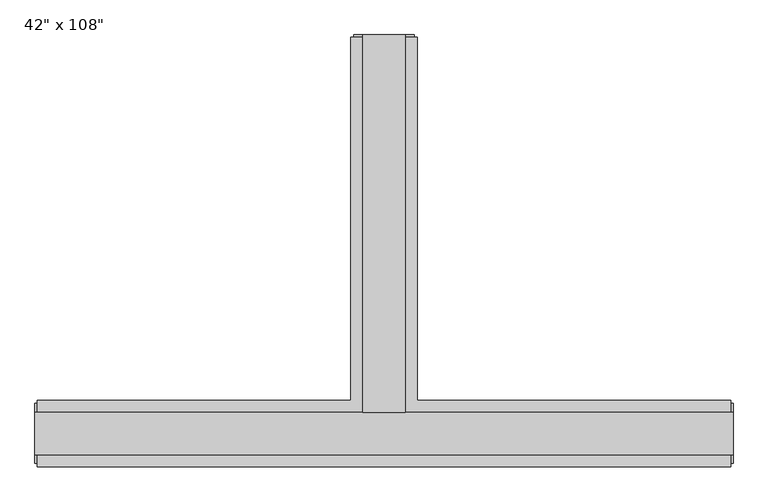
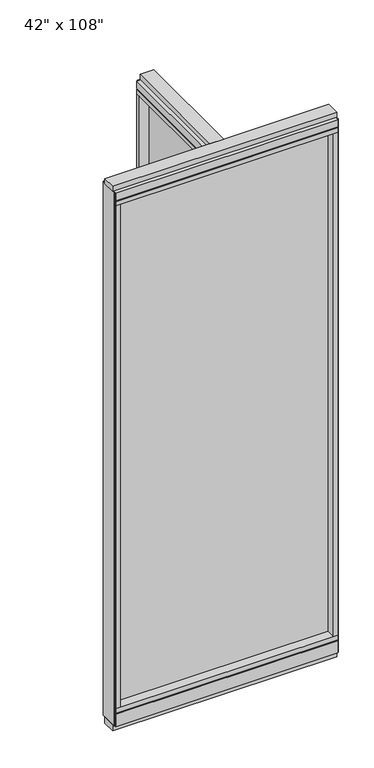
"""IFC4 building model written with IfcOpenShell, lengths in millimetres: furniture geometry."""

from ifc_helpers import new_model, si_unit, frame, origin, origin_with_axes, place, context, project, spatial, polyline, outline, extrude, faceted_brep, source, transform, mapped, element, save


def furniture_09d2c0fe(model_context):
    return source(origin(), model_context, "Body", "SolidModel", [
        extrude(outline(polyline([(-65.1165229, 0.5622784), (-65.1165229, 578.9202784), (-54.9565229, 578.9202784), (-54.9565229, 0.5622784), (-65.1165229, 0.5622784)])), frame((0.0, 0.0, 120.65), z_axis=(0.0, 0.0, 1.0), x_axis=(1.0, 0.0, 0.0)), (0.0, 0.0, 1.0), 2533.777),
        extrude(outline(polyline([(447.2014771, -9.5977216), (-567.2745229, -9.5977216), (-567.2745229, 0.5622784), (447.2014771, 0.5622784), (447.2014771, -9.5977216)])), frame((0.0, 0.0, 120.523), z_axis=(0.0, 0.0, 1.0), x_axis=(1.0, 0.0, 0.0)), (0.0, 0.0, 1.0), 2533.777),
        extrude(outline(polyline([(-110.8365229, 601.1452784), (-9.2365229, 601.1452784), (-9.2365229, 46.2822784), (469.4264771, 46.2822784), (469.4264771, -55.3177216), (-589.4995229, -55.3177216), (-589.4995229, 46.2822784), (-110.8365229, 46.2822784), (-110.8365229, 601.1452784)])), frame((0.0, 0.0, 2654.3), z_axis=(0.0, 0.0, 1.0), x_axis=(1.0, 0.0, 0.0)), (0.0, 0.0, 1.0), 22.225),
        faceted_brep([(-105.8835229, 46.2822784, 2681.478), (-105.8835229, 46.2822784, 2676.525), (-14.1895229, 46.2822784, 2676.525), (-14.1895229, 46.2822784, 2681.478), (-9.2365229, 601.1452784, 2681.478), (-14.1895229, 601.1452784, 2681.478), (-14.1895229, 601.1452784, 2676.525), (-105.8835229, 601.1452784, 2676.525), (-105.8835229, 601.1452784, 2681.478), (-110.8365229, 601.1452784, 2681.478), (-110.8365229, 601.1452784, 2717.8), (-9.2365229, 601.1452784, 2717.8), (-9.2365229, 46.2822784, 2681.478), (469.4264771, 46.2822784, 2681.478), (469.4264771, 41.3292784, 2681.478), (-589.4995229, 41.3292784, 2681.478), (-589.4995229, 46.2822784, 2681.478), (-110.8365229, 46.2822784, 2681.478), (-110.8365229, 46.2822784, 2717.8), (-589.4995229, 46.2822784, 2717.8), (-589.4995229, -55.3177216, 2717.8), (469.4264771, -55.3177216, 2717.8), (469.4264771, 46.2822784, 2717.8), (-9.2365229, 46.2822784, 2717.8), (-589.4995229, -55.3177216, 2681.478), (-589.4995229, 41.3292784, 2676.525), (-589.4995229, -50.3647216, 2676.525), (-589.4995229, -50.3647216, 2681.478), (469.4264771, -55.3177216, 2681.478), (469.4264771, -50.3647216, 2681.478), (469.4264771, -50.3647216, 2676.525), (469.4264771, 41.3292784, 2676.525)], [[[0, 1, 2, 3]], [[4, 5, 6, 7, 8, 9, 10, 11]], [[5, 4, 12, 13, 14, 15, 16, 17, 9, 8, 0, 3]], [[3, 2, 6, 5]], [[2, 1, 7, 6]], [[1, 0, 8, 7]], [[10, 9, 17, 18]], [[11, 10, 18, 19, 20, 21, 22, 23]], [[4, 11, 23, 12]], [[24, 20, 19, 16, 15, 25, 26, 27]], [[28, 29, 30, 31, 14, 13, 22, 21]], [[24, 27, 29, 28]], [[16, 19, 18, 17]], [[22, 13, 12, 23]], [[20, 24, 28, 21]], [[25, 15, 14, 31]], [[26, 25, 31, 30]], [[27, 26, 30, 29]]]),
        faceted_brep([(-14.1895229, 46.2822784, 93.345), (-14.1895229, 46.2822784, 98.298), (-105.8835229, 46.2822784, 98.298), (-105.8835229, 46.2822784, 93.345), (-9.2365229, 601.1452784, 93.345), (-9.2365229, 601.1452784, 31.75), (-110.8365229, 601.1452784, 31.75), (-110.8365229, 601.1452784, 93.345), (-105.8835229, 601.1452784, 93.345), (-105.8835229, 601.1452784, 98.298), (-14.1895229, 601.1452784, 98.298), (-14.1895229, 601.1452784, 93.345), (-110.8365229, 46.2822784, 93.345), (-589.4995229, 46.2822784, 93.345), (-589.4995229, 41.3292784, 93.345), (469.4264771, 41.3292784, 93.345), (469.4264771, 46.2822784, 93.345), (-9.2365229, 46.2822784, 93.345), (-110.8365229, 46.2822784, 31.75), (-9.2365229, 46.2822784, 31.75), (469.4264771, 46.2822784, 31.75), (469.4264771, -55.3177216, 31.75), (-589.4995229, -55.3177216, 31.75), (-589.4995229, 46.2822784, 31.75), (469.4264771, -55.3177216, 93.345), (469.4264771, 41.3292784, 98.298), (469.4264771, -50.3647216, 98.298), (469.4264771, -50.3647216, 93.345), (-589.4995229, -55.3177216, 93.345), (-589.4995229, -50.3647216, 93.345), (-589.4995229, -50.3647216, 98.298), (-589.4995229, 41.3292784, 98.298)], [[[0, 1, 2, 3]], [[4, 5, 6, 7, 8, 9, 10, 11]], [[4, 11, 0, 3, 8, 7, 12, 13, 14, 15, 16, 17]], [[1, 0, 11, 10]], [[2, 1, 10, 9]], [[3, 2, 9, 8]], [[7, 6, 18, 12]], [[6, 5, 19, 20, 21, 22, 23, 18]], [[5, 4, 17, 19]], [[24, 21, 20, 16, 15, 25, 26, 27]], [[28, 29, 30, 31, 14, 13, 23, 22]], [[24, 27, 29, 28]], [[16, 20, 19, 17]], [[23, 13, 12, 18]], [[21, 24, 28, 22]], [[25, 15, 14, 31]], [[26, 25, 31, 30]], [[27, 26, 30, 29]]]),
        extrude(outline(polyline([(-110.8365229, 601.1452784), (-9.2365229, 601.1452784), (-9.2365229, 46.2822784), (469.4264771, 46.2822784), (469.4264771, -55.3177216), (-589.4995229, -55.3177216), (-589.4995229, 46.2822784), (-110.8365229, 46.2822784), (-110.8365229, 601.1452784)])), frame((0.0, 0.0, 98.298), z_axis=(0.0, 0.0, 1.0), x_axis=(1.0, 0.0, 0.0)), (0.0, 0.0, 1.0), 22.225),
        extrude(outline(polyline([(-27.5245229, 27.9942784), (-92.5485229, 27.9942784), (-92.5485229, 605.0822784), (-27.5245229, 605.0822784), (-27.5245229, 27.9942784)])), origin_with_axes(), (0.0, 0.0, 1.0), 31.75),
        extrude(outline(polyline([(-9.2365229, 601.1452784), (-9.2365229, 578.9202784), (-110.8365229, 578.9202784), (-110.8365229, 601.1452784), (-9.2365229, 601.1452784)])), frame((0.0, 0.0, 120.523), z_axis=(0.0, 0.0, 1.0), x_axis=(1.0, 0.0, 0.0)), (0.0, 0.0, 1.0), 2533.777),
        extrude(outline(polyline([(-14.1895229, 605.0822784), (-14.1895229, 601.1452784), (-105.8835229, 601.1452784), (-105.8835229, 605.0822784), (-14.1895229, 605.0822784)])), frame((0.0, 0.0, 31.75), z_axis=(0.0, 0.0, 1.0), x_axis=(1.0, 0.0, 0.0)), (0.0, 0.0, 1.0), 2686.05),
        extrude(outline(polyline([(-27.5245229, 27.9942784), (-92.5485229, 27.9942784), (-92.5485229, 605.0822784), (-27.5245229, 605.0822784), (-27.5245229, 27.9942784)])), frame((0.0, 0.0, 2717.8), z_axis=(0.0, 0.0, 1.0), x_axis=(1.0, 0.0, 0.0)), (0.0, 0.0, 1.0), 25.4),
        extrude(outline(polyline([(473.3634771, 27.9942784), (473.3634771, -37.0297216), (-593.4365229, -37.0297216), (-593.4365229, 27.9942784), (473.3634771, 27.9942784)])), origin_with_axes(), (0.0, 0.0, 1.0), 31.75),
        extrude(outline(polyline([(-593.4365229, -37.0297216), (-593.4365229, 27.9942784), (473.3634771, 27.9942784), (473.3634771, -37.0297216), (-593.4365229, -37.0297216)])), frame((0.0, 0.0, 2717.8), z_axis=(0.0, 0.0, 1.0), x_axis=(1.0, 0.0, 0.0)), (0.0, 0.0, 1.0), 25.4),
        extrude(outline(polyline([(447.2014771, -55.3177216), (447.2014771, 46.2822784), (469.4264771, 46.2822784), (469.4264771, -55.3177216), (447.2014771, -55.3177216)])), frame((0.0, 0.0, 120.523), z_axis=(0.0, 0.0, 1.0), x_axis=(1.0, 0.0, 0.0)), (0.0, 0.0, 1.0), 2533.777),
        extrude(outline(polyline([(-567.2745229, -55.3177216), (-589.4995229, -55.3177216), (-589.4995229, 46.2822784), (-567.2745229, 46.2822784), (-567.2745229, -55.3177216)])), frame((0.0, 0.0, 120.523), z_axis=(0.0, 0.0, 1.0), x_axis=(1.0, 0.0, 0.0)), (0.0, 0.0, 1.0), 2533.777),
        extrude(outline(polyline([(473.3634771, -50.3647216), (469.4264771, -50.3647216), (469.4264771, 41.3292784), (473.3634771, 41.3292784), (473.3634771, -50.3647216)])), frame((0.0, 0.0, 31.75), z_axis=(0.0, 0.0, 1.0), x_axis=(1.0, 0.0, 0.0)), (0.0, 0.0, 1.0), 2686.05),
        extrude(outline(polyline([(-593.4365229, -50.3647216), (-593.4365229, 41.3292784), (-589.4995229, 41.3292784), (-589.4995229, -50.3647216), (-593.4365229, -50.3647216)])), frame((0.0, 0.0, 31.75), z_axis=(0.0, 0.0, 1.0), x_axis=(1.0, 0.0, 0.0)), (0.0, 0.0, 1.0), 2686.05),
    ])


if __name__ == "__main__":
    model = new_model("IFC4")
    model_context = context("Model", 3, world=origin())
    ifc_project = project(units=[si_unit("LENGTHUNIT", "METRE", prefix="MILLI")], contexts=[model_context])
    site = spatial("IfcSite", under=ifc_project)
    building = spatial("IfcBuilding", under=site)
    placement = place(None, origin())
    furniture_shape = furniture_09d2c0fe(model_context)
    element("IfcFurniture", 1, ObjectType="42\" x 108\"", at=placement, inside=building, context=model_context, shape_type="MappedRepresentation", body=[
        mapped(furniture_shape, transform((0.0, 0.0, 0.0), x_axis=(1.0, 0.0, 0.0), y_axis=(0.0, 1.0, 0.0), z_axis=(0.0, 0.0, 1.0))),
    ])
    save(model, "model.ifc")
